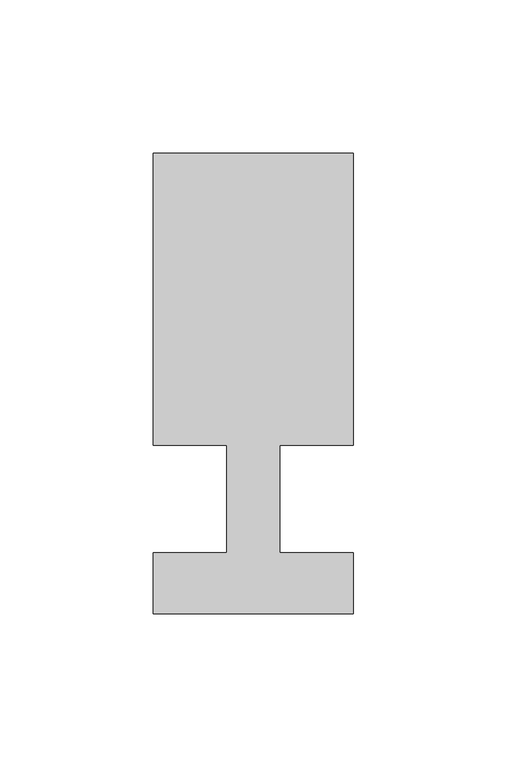
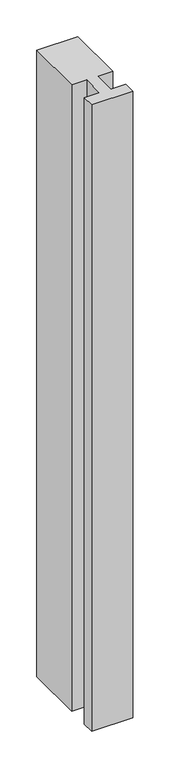
"""IFC4 building model written with IfcOpenShell, lengths in millimetres: member geometry."""

import ifcopenshell
import ifcopenshell.guid

model = None  # the IFC model being written
_history = None  # IfcOwnerHistory: only IFC2X3 demands one
_inside = {}  # id of a spatial element -> (the spatial element, [elements in it])
_under = {}  # id of a project, library or spatial element -> (it, [spatial elements below it])
_declared = {}  # id of a project -> (the project, [libraries it declares])
_typed = {}  # id of a type object -> (the type object, [elements of that type])
_made_of = {}  # id of a material, layer set ... -> (it, [elements and type objects made of it])


def new_model(schema):
    """Start an empty IFC model of exactly this schema.

    Asked for "IFC4X3", IfcOpenShell would pick the latest addendum, in which some entities
    have other attributes; the version numbers below select the first issue.
    IFC2X3 requires an IfcOwnerHistory on every rooted entity: one is made here for all.
    """
    global model, _history
    if schema == "IFC4X3":
        model = ifcopenshell.file(schema_version=(4, 3, 0, 0))
    else:
        model = ifcopenshell.file(schema=schema)
    _inside.clear()
    _under.clear()
    _declared.clear()
    _typed.clear()
    _made_of.clear()
    _history = None
    if model.schema == "IFC2X3":
        org = make("IfcOrganization", Name="unknown")
        user = make(
            "IfcPersonAndOrganization",
            ThePerson=make("IfcPerson", FamilyName="unknown"),
            TheOrganization=org,
        )
        app = make(
            "IfcApplication",
            ApplicationDeveloper=org,
            Version="unknown",
            ApplicationFullName="unknown",
            ApplicationIdentifier="unknown",
        )
        _history = make(
            "IfcOwnerHistory",
            OwningUser=user,
            OwningApplication=app,
            ChangeAction="ADDED",
            CreationDate=0,
        )
    return model


def make(cls, **values):
    """One entity of the class cls with the attributes given. An attribute that is None is left unset."""
    return model.create_entity(
        cls, **{name: value for name, value in values.items() if value is not None}
    )


def rooted(cls, **values):
    """An entity with a GlobalId (a new one), such as an element, a storey or a relation."""
    return make(cls, GlobalId=ifcopenshell.guid.new(), OwnerHistory=_history, **values)


def si_unit(unit_type, name, prefix=None):
    """IfcSIUnit, for example si_unit("LENGTHUNIT", "METRE", prefix="MILLI")."""
    return make("IfcSIUnit", UnitType=unit_type, Prefix=prefix, Name=name)


def assignment(units):
    """IfcUnitAssignment: the units of a project."""
    return None if units is None else make("IfcUnitAssignment", Units=units)


def point(xyz):
    """IfcCartesianPoint."""
    return None if xyz is None else make("IfcCartesianPoint", Coordinates=xyz)


def direction(xyz):
    """IfcDirection."""
    return None if xyz is None else make("IfcDirection", DirectionRatios=xyz)


def frame(location, z_axis=None, x_axis=None):
    """IfcAxis2Placement3D, a coordinate frame: its origin and axes. An axis left out is left unset."""
    return make(
        "IfcAxis2Placement3D",
        Location=point(location),
        Axis=direction(z_axis),
        RefDirection=direction(x_axis),
    )


def origin():
    """The frame at (0, 0, 0) with its axes left unset."""
    return frame((0.0, 0.0, 0.0))


def place(relative_to, where):
    """IfcLocalPlacement: puts the frame where relative to a parent placement (None: the world)."""
    return make(
        "IfcLocalPlacement", PlacementRelTo=relative_to, RelativePlacement=where
    )


def context(
    kind, dimensions, precision=None, world=None, true_north=None, identifier=None
):
    """IfcGeometricRepresentationContext, for example the 3D "Model" context."""
    return make(
        "IfcGeometricRepresentationContext",
        ContextIdentifier=identifier,
        ContextType=kind,
        CoordinateSpaceDimension=dimensions,
        Precision=precision,
        WorldCoordinateSystem=world,
        TrueNorth=true_north,
    )


def project(units=None, contexts=None):
    """IfcProject with its units and contexts."""
    return rooted(
        "IfcProject",
        Name="project",
        RepresentationContexts=contexts,
        UnitsInContext=assignment(units),
    )


def spatial(cls, under=None, at=None, **own):
    """A site, building, storey or space (cls), placed at a placement, below another one or the project."""
    s = rooted(cls, ObjectPlacement=at, **own)
    if under is not None:
        _under.setdefault(under.id(), (under, []))[1].append(s)
    return s


def polyline(points):
    """IfcPolyline through the points."""
    return make("IfcPolyline", Points=[point(p) for p in points])


def outline(outer, holes=None, kind="AREA"):
    """IfcArbitraryClosedProfileDef: a profile drawn as a closed curve; with holes, ...WithVoids."""
    if holes is None:
        return make("IfcArbitraryClosedProfileDef", ProfileType=kind, OuterCurve=outer)
    return make(
        "IfcArbitraryProfileDefWithVoids",
        ProfileType=kind,
        OuterCurve=outer,
        InnerCurves=holes,
    )


def extrude(swept, where, along, depth):
    """IfcExtrudedAreaSolid: the profile swept, set in the frame where, extruded along a direction by depth."""
    return make(
        "IfcExtrudedAreaSolid",
        SweptArea=swept,
        Position=where,
        ExtrudedDirection=direction(along),
        Depth=depth,
    )


def shape(context_of_items, identifier, shape_type, items):
    """IfcShapeRepresentation: the items that make up one representation, for example the "Body"."""
    return make(
        "IfcShapeRepresentation",
        ContextOfItems=context_of_items,
        RepresentationIdentifier=identifier,
        RepresentationType=shape_type,
        Items=items,
    )


def source(mapping_origin, context_of_items, identifier, shape_type, items):
    """IfcRepresentationMap: a shape defined once, which mapped items show again and again."""
    return make(
        "IfcRepresentationMap",
        MappingOrigin=mapping_origin,
        MappedRepresentation=shape(context_of_items, identifier, shape_type, items),
    )


def transform(
    local_origin,
    x_axis=None,
    y_axis=None,
    z_axis=None,
    scale=None,
    scale2=None,
    scale3=None,
    uniform=True,
):
    """IfcCartesianTransformationOperator3D, or its non-uniform kind. x_axis, y_axis, z_axis: its Axis1, 2, 3."""
    if uniform:
        return make(
            "IfcCartesianTransformationOperator3D",
            Axis1=direction(x_axis),
            Axis2=direction(y_axis),
            LocalOrigin=point(local_origin),
            Scale=scale,
            Axis3=direction(z_axis),
        )
    return make(
        "IfcCartesianTransformationOperator3DnonUniform",
        Axis1=direction(x_axis),
        Axis2=direction(y_axis),
        LocalOrigin=point(local_origin),
        Scale=scale,
        Axis3=direction(z_axis),
        Scale2=scale2,
        Scale3=scale3,
    )


def mapped(mapping_source, mapping_target):
    """IfcMappedItem: shows the shape of a source again, moved by a transform."""
    return make(
        "IfcMappedItem", MappingSource=mapping_source, MappingTarget=mapping_target
    )


def made_of(thing, what):
    """Note that an element or type object is made of a material, layer set ...; save() writes the relation."""
    if what is not None:
        _made_of.setdefault(what.id(), (what, []))[1].append(thing)
    return thing


def element(
    cls,
    number,
    at=None,
    inside=None,
    cuts=None,
    type_object=None,
    material=None,
    context=None,
    identifier="Body",
    shape_type=None,
    held_by="IfcProductDefinitionShape",
    body=None,
    shapes=None,
    **own,
):
    """One element of the class cls, such as IfcWall. Its Tag is "e" and its number.

    at: its placement. inside: the storey or other place that contains it. cuts: it is an
    opening in that element (IfcRelVoidsElement). A single representation is given by context,
    identifier, shape_type and body (its items); several are given by shapes. held_by: the class
    of the entity that holds the representations. save() writes the other relations.
    """
    e = rooted(cls, Tag="e%d" % number, ObjectPlacement=at, **own)
    if body is not None:
        shapes = [shape(context, identifier, shape_type, body)]
    if shapes is not None:
        e.Representation = make(held_by, Representations=shapes)
    if inside is not None:
        _inside.setdefault(inside.id(), (inside, []))[1].append(e)
    if cuts is not None:
        rooted(
            "IfcRelVoidsElement", RelatingBuildingElement=cuts, RelatedOpeningElement=e
        )
    if type_object is not None:
        _typed.setdefault(type_object.id(), (type_object, []))[1].append(e)
    return made_of(e, material)


def aggregate(whole, parts):
    """IfcRelAggregates: a whole, such as a stair, and the parts it consists of."""
    return rooted("IfcRelAggregates", RelatingObject=whole, RelatedObjects=parts)


def save(model, path):
    """Write the relations noted so far, then the file.

    IfcRelAggregates (storeys below a building ...), IfcRelContainedInSpatialStructure (elements
    in a storey), IfcRelDefinesByType, IfcRelAssociatesMaterial and IfcRelDeclares: one each for
    every whole, place, type object, material and project.
    """
    for whole, parts in _under.values():
        aggregate(whole, parts)
    for where, things in _inside.values():
        rooted(
            "IfcRelContainedInSpatialStructure",
            RelatedElements=things,
            RelatingStructure=where,
        )
    for kind, things in _typed.values():
        rooted("IfcRelDefinesByType", RelatedObjects=things, RelatingType=kind)
    for what, things in _made_of.values():
        rooted("IfcRelAssociatesMaterial", RelatedObjects=things, RelatingMaterial=what)
    for by, libraries in _declared.values():
        rooted("IfcRelDeclares", RelatingContext=by, RelatedDefinitions=libraries)
    model.write(path)


def member_8f23294d(model_context):
    return source(origin(), model_context, "Body", "SweptSolid", [
        extrude(outline(polyline([(0.0, -37.0), (-65.0, -37.0), (-65.0, -17.0), (-41.1875, -17.0), (-41.1875, 18.0), (-65.0, 18.0), (-65.0, 113.0), (0.0, 113.0), (0.0, 18.0), (-23.8125, 18.0), (-23.8125, -17.0), (0.0, -17.0), (0.0, -37.0)])), frame((0.0, 0.0, -1042.5), z_axis=(0.0, 0.0, 1.0), x_axis=(1.0, 0.0, 0.0)), (0.0, 0.0, 1.0), 1042.5),
    ])


if __name__ == "__main__":
    model = new_model("IFC4")
    model_context = context("Model", 3, world=origin())
    ifc_project = project(units=[si_unit("LENGTHUNIT", "METRE", prefix="MILLI")], contexts=[model_context])
    site = spatial("IfcSite", under=ifc_project)
    building = spatial("IfcBuilding", under=site)
    placement = place(None, origin())
    member_shape = member_8f23294d(model_context)
    element("IfcMember", 1, at=placement, inside=building, context=model_context, shape_type="MappedRepresentation", body=[
        mapped(member_shape, transform((0.0, 0.0, 0.0), x_axis=(1.0, 0.0, 0.0), y_axis=(0.0, 1.0, 0.0), z_axis=(0.0, 0.0, 1.0))),
    ])
    save(model, "model.ifc")
